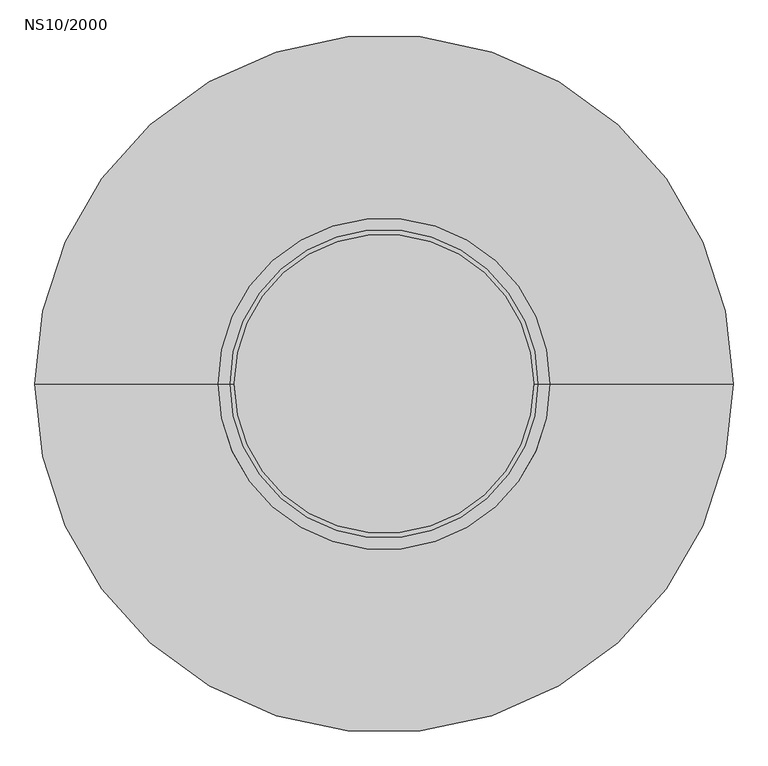
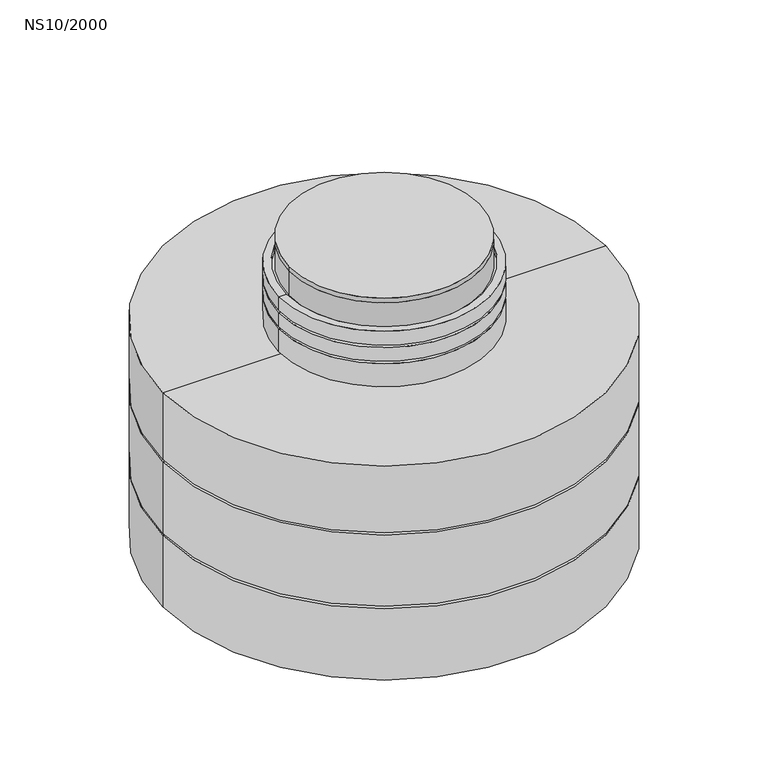
"""IFC4 building model written with IfcOpenShell, lengths in millimetres: proxy geometry, NS10/2000."""

import ifcopenshell
import ifcopenshell.guid

model = None  # the IFC model being written
_history = None  # IfcOwnerHistory: only IFC2X3 demands one
_inside = {}  # id of a spatial element -> (the spatial element, [elements in it])
_under = {}  # id of a project, library or spatial element -> (it, [spatial elements below it])
_declared = {}  # id of a project -> (the project, [libraries it declares])
_typed = {}  # id of a type object -> (the type object, [elements of that type])
_made_of = {}  # id of a material, layer set ... -> (it, [elements and type objects made of it])


def new_model(schema):
    """Start an empty IFC model of exactly this schema.

    Asked for "IFC4X3", IfcOpenShell would pick the latest addendum, in which some entities
    have other attributes; the version numbers below select the first issue.
    IFC2X3 requires an IfcOwnerHistory on every rooted entity: one is made here for all.
    """
    global model, _history
    if schema == "IFC4X3":
        model = ifcopenshell.file(schema_version=(4, 3, 0, 0))
    else:
        model = ifcopenshell.file(schema=schema)
    _inside.clear()
    _under.clear()
    _declared.clear()
    _typed.clear()
    _made_of.clear()
    _history = None
    if model.schema == "IFC2X3":
        org = make("IfcOrganization", Name="unknown")
        user = make(
            "IfcPersonAndOrganization",
            ThePerson=make("IfcPerson", FamilyName="unknown"),
            TheOrganization=org,
        )
        app = make(
            "IfcApplication",
            ApplicationDeveloper=org,
            Version="unknown",
            ApplicationFullName="unknown",
            ApplicationIdentifier="unknown",
        )
        _history = make(
            "IfcOwnerHistory",
            OwningUser=user,
            OwningApplication=app,
            ChangeAction="ADDED",
            CreationDate=0,
        )
    return model


def make(cls, **values):
    """One entity of the class cls with the attributes given. An attribute that is None is left unset."""
    return model.create_entity(
        cls, **{name: value for name, value in values.items() if value is not None}
    )


def rooted(cls, **values):
    """An entity with a GlobalId (a new one), such as an element, a storey or a relation."""
    return make(cls, GlobalId=ifcopenshell.guid.new(), OwnerHistory=_history, **values)


def si_unit(unit_type, name, prefix=None):
    """IfcSIUnit, for example si_unit("LENGTHUNIT", "METRE", prefix="MILLI")."""
    return make("IfcSIUnit", UnitType=unit_type, Prefix=prefix, Name=name)


def assignment(units):
    """IfcUnitAssignment: the units of a project."""
    return None if units is None else make("IfcUnitAssignment", Units=units)


def point(xyz):
    """IfcCartesianPoint."""
    return None if xyz is None else make("IfcCartesianPoint", Coordinates=xyz)


def direction(xyz):
    """IfcDirection."""
    return None if xyz is None else make("IfcDirection", DirectionRatios=xyz)


def frame(location, z_axis=None, x_axis=None):
    """IfcAxis2Placement3D, a coordinate frame: its origin and axes. An axis left out is left unset."""
    return make(
        "IfcAxis2Placement3D",
        Location=point(location),
        Axis=direction(z_axis),
        RefDirection=direction(x_axis),
    )


def frame_2d(location, x_axis=None):
    """IfcAxis2Placement2D, a coordinate frame in the plane: its origin and x axis."""
    return make(
        "IfcAxis2Placement2D", Location=point(location), RefDirection=direction(x_axis)
    )


def origin():
    """The frame at (0, 0, 0) with its axes left unset."""
    return frame((0.0, 0.0, 0.0))


def origin_2d():
    """The frame at (0, 0) in the plane with its x axis left unset."""
    return frame_2d((0.0, 0.0))


def place(relative_to, where):
    """IfcLocalPlacement: puts the frame where relative to a parent placement (None: the world)."""
    return make(
        "IfcLocalPlacement", PlacementRelTo=relative_to, RelativePlacement=where
    )


def context(
    kind, dimensions, precision=None, world=None, true_north=None, identifier=None
):
    """IfcGeometricRepresentationContext, for example the 3D "Model" context."""
    return make(
        "IfcGeometricRepresentationContext",
        ContextIdentifier=identifier,
        ContextType=kind,
        CoordinateSpaceDimension=dimensions,
        Precision=precision,
        WorldCoordinateSystem=world,
        TrueNorth=true_north,
    )


def project(units=None, contexts=None):
    """IfcProject with its units and contexts."""
    return rooted(
        "IfcProject",
        Name="project",
        RepresentationContexts=contexts,
        UnitsInContext=assignment(units),
    )


def spatial(cls, under=None, at=None, **own):
    """A site, building, storey or space (cls), placed at a placement, below another one or the project."""
    s = rooted(cls, ObjectPlacement=at, **own)
    if under is not None:
        _under.setdefault(under.id(), (under, []))[1].append(s)
    return s


def polyline(points):
    """IfcPolyline through the points."""
    return make("IfcPolyline", Points=[point(p) for p in points])


def circle_curve(where, radius):
    """IfcCircle in the frame where."""
    return make("IfcCircle", Position=where, Radius=radius)


def trimmed(basis, trim1, trim2, sense, master):
    """IfcTrimmedCurve: the piece of a basis curve between two trims."""
    return make(
        "IfcTrimmedCurve",
        BasisCurve=basis,
        Trim1=trim1,
        Trim2=trim2,
        SenseAgreement=sense,
        MasterRepresentation=master,
    )


def segment(curve, same_sense, transition):
    """IfcCompositeCurveSegment."""
    return make(
        "IfcCompositeCurveSegment",
        Transition=transition,
        SameSense=same_sense,
        ParentCurve=curve,
    )


def composite_curve(segments, self_intersect=None):
    """IfcCompositeCurve: segments joined end to end."""
    return make("IfcCompositeCurve", Segments=segments, SelfIntersect=self_intersect)


def outline(outer, holes=None, kind="AREA"):
    """IfcArbitraryClosedProfileDef: a profile drawn as a closed curve; with holes, ...WithVoids."""
    if holes is None:
        return make("IfcArbitraryClosedProfileDef", ProfileType=kind, OuterCurve=outer)
    return make(
        "IfcArbitraryProfileDefWithVoids",
        ProfileType=kind,
        OuterCurve=outer,
        InnerCurves=holes,
    )


def extrude(swept, where, along, depth):
    """IfcExtrudedAreaSolid: the profile swept, set in the frame where, extruded along a direction by depth."""
    return make(
        "IfcExtrudedAreaSolid",
        SweptArea=swept,
        Position=where,
        ExtrudedDirection=direction(along),
        Depth=depth,
    )


def shape(context_of_items, identifier, shape_type, items):
    """IfcShapeRepresentation: the items that make up one representation, for example the "Body"."""
    return make(
        "IfcShapeRepresentation",
        ContextOfItems=context_of_items,
        RepresentationIdentifier=identifier,
        RepresentationType=shape_type,
        Items=items,
    )


def source(mapping_origin, context_of_items, identifier, shape_type, items):
    """IfcRepresentationMap: a shape defined once, which mapped items show again and again."""
    return make(
        "IfcRepresentationMap",
        MappingOrigin=mapping_origin,
        MappedRepresentation=shape(context_of_items, identifier, shape_type, items),
    )


def transform(
    local_origin,
    x_axis=None,
    y_axis=None,
    z_axis=None,
    scale=None,
    scale2=None,
    scale3=None,
    uniform=True,
):
    """IfcCartesianTransformationOperator3D, or its non-uniform kind. x_axis, y_axis, z_axis: its Axis1, 2, 3."""
    if uniform:
        return make(
            "IfcCartesianTransformationOperator3D",
            Axis1=direction(x_axis),
            Axis2=direction(y_axis),
            LocalOrigin=point(local_origin),
            Scale=scale,
            Axis3=direction(z_axis),
        )
    return make(
        "IfcCartesianTransformationOperator3DnonUniform",
        Axis1=direction(x_axis),
        Axis2=direction(y_axis),
        LocalOrigin=point(local_origin),
        Scale=scale,
        Axis3=direction(z_axis),
        Scale2=scale2,
        Scale3=scale3,
    )


def mapped(mapping_source, mapping_target):
    """IfcMappedItem: shows the shape of a source again, moved by a transform."""
    return make(
        "IfcMappedItem", MappingSource=mapping_source, MappingTarget=mapping_target
    )


def made_of(thing, what):
    """Note that an element or type object is made of a material, layer set ...; save() writes the relation."""
    if what is not None:
        _made_of.setdefault(what.id(), (what, []))[1].append(thing)
    return thing


def element(
    cls,
    number,
    at=None,
    inside=None,
    cuts=None,
    type_object=None,
    material=None,
    context=None,
    identifier="Body",
    shape_type=None,
    held_by="IfcProductDefinitionShape",
    body=None,
    shapes=None,
    **own,
):
    """One element of the class cls, such as IfcWall. Its Tag is "e" and its number.

    at: its placement. inside: the storey or other place that contains it. cuts: it is an
    opening in that element (IfcRelVoidsElement). A single representation is given by context,
    identifier, shape_type and body (its items); several are given by shapes. held_by: the class
    of the entity that holds the representations. save() writes the other relations.
    """
    e = rooted(cls, Tag="e%d" % number, ObjectPlacement=at, **own)
    if body is not None:
        shapes = [shape(context, identifier, shape_type, body)]
    if shapes is not None:
        e.Representation = make(held_by, Representations=shapes)
    if inside is not None:
        _inside.setdefault(inside.id(), (inside, []))[1].append(e)
    if cuts is not None:
        rooted(
            "IfcRelVoidsElement", RelatingBuildingElement=cuts, RelatedOpeningElement=e
        )
    if type_object is not None:
        _typed.setdefault(type_object.id(), (type_object, []))[1].append(e)
    return made_of(e, material)


def aggregate(whole, parts):
    """IfcRelAggregates: a whole, such as a stair, and the parts it consists of."""
    return rooted("IfcRelAggregates", RelatingObject=whole, RelatedObjects=parts)


def save(model, path):
    """Write the relations noted so far, then the file.

    IfcRelAggregates (storeys below a building ...), IfcRelContainedInSpatialStructure (elements
    in a storey), IfcRelDefinesByType, IfcRelAssociatesMaterial and IfcRelDeclares: one each for
    every whole, place, type object, material and project.
    """
    for whole, parts in _under.values():
        aggregate(whole, parts)
    for where, things in _inside.values():
        rooted(
            "IfcRelContainedInSpatialStructure",
            RelatedElements=things,
            RelatingStructure=where,
        )
    for kind, things in _typed.values():
        rooted("IfcRelDefinesByType", RelatedObjects=things, RelatingType=kind)
    for what, things in _made_of.values():
        rooted("IfcRelAssociatesMaterial", RelatedObjects=things, RelatingMaterial=what)
    for by, libraries in _declared.values():
        rooted("IfcRelDeclares", RelatingContext=by, RelatedDefinitions=libraries)
    model.write(path)


def plane_surface(at):
    """IfcPlane: the flat surface through the origin of the frame at, square to its z axis."""
    return make("IfcPlane", Position=at)


def cylinder_surface(at, radius):
    """IfcCylindricalSurface: all points at the distance radius from the z axis of the frame at."""
    return make("IfcCylindricalSurface", Position=at, Radius=radius)


def revolved_surface(curve, axis_point, axis_direction):
    """IfcSurfaceOfRevolution: the curve turned about the line through axis_point along axis_direction."""
    return make(
        "IfcSurfaceOfRevolution",
        SweptCurve=make("IfcArbitraryOpenProfileDef", ProfileType="CURVE", Curve=curve),
        AxisPosition=make("IfcAxis1Placement", Location=point(axis_point), Axis=direction(axis_direction)),
    )


def advanced_brep(points, edges, surfaces, faces):
    """IfcAdvancedBrep: a solid bounded by faces that lie on surfaces and meet in shared edges.

    An edge is (start, end): straight between two places in points (the first is 0);
    or (start, end, curve); or (start, end, curve, False) where it runs against its curve.
    A face is (place in surfaces, loops), or (place, loops, False) where it looks against
    its surface's normal. A loop lists edges by number (the first is 1), with a minus sign
    where the edge is run from its end to its start. The first loop is the outer one.
    """
    corners = [point(p) for p in points]
    vertices = [make("IfcVertexPoint", VertexGeometry=c) for c in corners]
    made = []
    for start, end, *more in edges:
        made.append(
            make(
                "IfcEdgeCurve",
                EdgeStart=vertices[start],
                EdgeEnd=vertices[end],
                EdgeGeometry=more[0] if more else make("IfcPolyline", Points=[corners[start], corners[end]]),
                SameSense=more[1] if len(more) > 1 else True,
            )
        )
    hull = []
    for where, loops, *sense in faces:
        bounds = []
        for j, loop in enumerate(loops):
            ring = [make("IfcOrientedEdge", EdgeElement=made[abs(k) - 1], Orientation=k > 0) for k in loop]
            bounds.append(
                make(
                    "IfcFaceOuterBound" if j == 0 else "IfcFaceBound",
                    Bound=make("IfcEdgeLoop", EdgeList=ring),
                    Orientation=True,
                )
            )
        hull.append(make("IfcAdvancedFace", Bounds=bounds, FaceSurface=surfaces[where], SameSense=sense[0] if sense else True))
    return make("IfcAdvancedBrep", Outer=make("IfcClosedShell", CfsFaces=hull))


def ns10_2000_eb63e6cd(model_context):
    return source(origin(), model_context, "Body", "SolidModel", [
        advanced_brep(
        [(750.0, 0.0, -965.0), (-750.0, 0.0, -965.0), (-750.0, 0.0, -1215.0), (750.0, 0.0, -1215.0), (780.0, 0.0, -965.0), (-780.0, 0.0, -965.0), (780.0, 0.0, -985.0), (-780.0, 0.0, -985.0), (910.0, 0.0, -985.0), (-910.0, 0.0, -985.0), (910.0, 0.0, -1295.0), (-910.0, 0.0, -1295.0), (855.0, 0.0, -1295.0), (-855.0, 0.0, -1295.0), (855.0, 0.0, -1215.0), (-855.0, 0.0, -1215.0)],
        [
            (0, 1, circle_curve(frame((0.0, 0.0, -965.0), z_axis=(0.0, 0.0, 1.0), x_axis=(-1.0, 0.0, 0.0)), 750.0)),
            (1, 2),
            (2, 3, circle_curve(frame((0.0, 0.0, -1215.0), z_axis=(0.0, 0.0, -1.0), x_axis=(-1.0, 0.0, 0.0)), 750.0)),
            (3, 0),
            (1, 0, circle_curve(frame((0.0, 0.0, -965.0), z_axis=(0.0, 0.0, 1.0), x_axis=(-1.0, 0.0, 0.0)), 750.0)),
            (3, 2, circle_curve(frame((0.0, 0.0, -1215.0), z_axis=(0.0, 0.0, -1.0), x_axis=(-1.0, 0.0, 0.0)), 750.0)),
            (4, 5, circle_curve(frame((0.0, 0.0, -965.0), z_axis=(0.0, 0.0, 1.0), x_axis=(-1.0, 0.0, 0.0)), 780.0)),
            (5, 1),
            (0, 4),
            (5, 4, circle_curve(frame((0.0, 0.0, -965.0), z_axis=(0.0, 0.0, 1.0), x_axis=(-1.0, 0.0, 0.0)), 780.0)),
            (6, 7, circle_curve(frame((0.0, 0.0, -985.0), z_axis=(0.0, 0.0, 1.0), x_axis=(-1.0, 0.0, 0.0)), 780.0)),
            (7, 5),
            (4, 6),
            (7, 6, circle_curve(frame((0.0, 0.0, -985.0), z_axis=(0.0, 0.0, 1.0), x_axis=(-1.0, 0.0, 0.0)), 780.0)),
            (8, 9, circle_curve(frame((0.0, 0.0, -985.0), z_axis=(0.0, 0.0, 1.0), x_axis=(-1.0, 0.0, 0.0)), 910.0)),
            (9, 7),
            (6, 8),
            (9, 8, circle_curve(frame((0.0, 0.0, -985.0), z_axis=(0.0, 0.0, 1.0), x_axis=(-1.0, 0.0, 0.0)), 910.0)),
            (10, 11, circle_curve(frame((0.0, 0.0, -1295.0), z_axis=(0.0, 0.0, 1.0), x_axis=(-1.0, 0.0, 0.0)), 910.0)),
            (11, 9),
            (8, 10),
            (11, 10, circle_curve(frame((0.0, 0.0, -1295.0), z_axis=(0.0, 0.0, 1.0), x_axis=(-1.0, 0.0, 0.0)), 910.0)),
            (12, 13, circle_curve(frame((0.0, 0.0, -1295.0), z_axis=(0.0, 0.0, 1.0), x_axis=(-1.0, 0.0, 0.0)), 855.0)),
            (13, 11),
            (10, 12),
            (13, 12, circle_curve(frame((0.0, 0.0, -1295.0), z_axis=(0.0, 0.0, 1.0), x_axis=(-1.0, 0.0, 0.0)), 855.0)),
            (14, 15, circle_curve(frame((0.0, 0.0, -1215.0), z_axis=(0.0, 0.0, 1.0), x_axis=(-1.0, 0.0, 0.0)), 855.0)),
            (15, 13),
            (12, 14),
            (15, 14, circle_curve(frame((0.0, 0.0, -1215.0), z_axis=(0.0, 0.0, 1.0), x_axis=(-1.0, 0.0, 0.0)), 855.0)),
            (2, 15),
            (14, 3),
        ],
        [
            revolved_surface(polyline([(-750.0, 0.0, -1215.0), (-750.0, 0.0, -965.0)]), (0.0, 0.0, 2855.0), (0.0, 0.0, -1.0)),
            plane_surface(frame((0.0, 0.0, -965.0), z_axis=(0.0, 0.0, 1.0), x_axis=(-1.0, 0.0, 0.0))),
            cylinder_surface(frame((0.0, 0.0, 2855.0), z_axis=(0.0, 0.0, -1.0), x_axis=(-1.0, 0.0, 0.0)), 780.0),
            plane_surface(frame((0.0, 0.0, -985.0), z_axis=(0.0, 0.0, 1.0), x_axis=(-1.0, 0.0, 0.0))),
            cylinder_surface(frame((0.0, 0.0, 2855.0), z_axis=(0.0, 0.0, -1.0), x_axis=(-1.0, 0.0, 0.0)), 910.0),
            plane_surface(frame((0.0, 0.0, -1295.0), z_axis=(0.0, 0.0, -1.0), x_axis=(-1.0, 0.0, 0.0))),
            revolved_surface(polyline([(-855.0, 0.0, -1295.0), (-855.0, 0.0, -1215.0)]), (0.0, 0.0, 2855.0), (0.0, 0.0, -1.0)),
            plane_surface(frame((0.0, 0.0, -1215.0), z_axis=(0.0, 0.0, -1.0), x_axis=(-1.0, 0.0, 0.0))),
        ],
        [
            (0, [[1, 2, 3, 4]]),
            (0, [[5, -4, 6, -2]]),
            (1, [[7, 8, -1, 9]]),
            (1, [[10, -9, -5, -8]]),
            (2, [[11, 12, -7, 13]]),
            (2, [[14, -13, -10, -12]]),
            (3, [[15, 16, -11, 17]]),
            (3, [[18, -17, -14, -16]]),
            (4, [[19, 20, -15, 21]]),
            (4, [[22, -21, -18, -20]]),
            (5, [[23, 24, -19, 25]]),
            (5, [[26, -25, -22, -24]]),
            (6, [[27, 28, -23, 29]]),
            (6, [[30, -29, -26, -28]]),
            (7, [[-3, 31, -27, 32]]),
            (7, [[-6, -32, -30, -31]]),
        ],
    ),
        advanced_brep(
        [(750.0, 0.0, -645.0), (-750.0, 0.0, -645.0), (-750.0, 0.0, -895.0), (750.0, 0.0, -895.0), (780.0, 0.0, -645.0), (-780.0, 0.0, -645.0), (780.0, 0.0, -665.0), (-780.0, 0.0, -665.0), (910.0, 0.0, -665.0), (-910.0, 0.0, -665.0), (910.0, 0.0, -975.0), (-910.0, 0.0, -975.0), (855.0, 0.0, -975.0), (-855.0, 0.0, -975.0), (855.0, 0.0, -895.0), (-855.0, 0.0, -895.0)],
        [
            (0, 1, circle_curve(frame((0.0, 0.0, -645.0), z_axis=(0.0, 0.0, 1.0), x_axis=(-1.0, 0.0, 0.0)), 750.0)),
            (1, 2),
            (2, 3, circle_curve(frame((0.0, 0.0, -895.0), z_axis=(0.0, 0.0, -1.0), x_axis=(-1.0, 0.0, 0.0)), 750.0)),
            (3, 0),
            (1, 0, circle_curve(frame((0.0, 0.0, -645.0), z_axis=(0.0, 0.0, 1.0), x_axis=(-1.0, 0.0, 0.0)), 750.0)),
            (3, 2, circle_curve(frame((0.0, 0.0, -895.0), z_axis=(0.0, 0.0, -1.0), x_axis=(-1.0, 0.0, 0.0)), 750.0)),
            (4, 5, circle_curve(frame((0.0, 0.0, -645.0), z_axis=(0.0, 0.0, 1.0), x_axis=(-1.0, 0.0, 0.0)), 780.0)),
            (5, 1),
            (0, 4),
            (5, 4, circle_curve(frame((0.0, 0.0, -645.0), z_axis=(0.0, 0.0, 1.0), x_axis=(-1.0, 0.0, 0.0)), 780.0)),
            (6, 7, circle_curve(frame((0.0, 0.0, -665.0), z_axis=(0.0, 0.0, 1.0), x_axis=(-1.0, 0.0, 0.0)), 780.0)),
            (7, 5),
            (4, 6),
            (7, 6, circle_curve(frame((0.0, 0.0, -665.0), z_axis=(0.0, 0.0, 1.0), x_axis=(-1.0, 0.0, 0.0)), 780.0)),
            (8, 9, circle_curve(frame((0.0, 0.0, -665.0), z_axis=(0.0, 0.0, 1.0), x_axis=(-1.0, 0.0, 0.0)), 910.0)),
            (9, 7),
            (6, 8),
            (9, 8, circle_curve(frame((0.0, 0.0, -665.0), z_axis=(0.0, 0.0, 1.0), x_axis=(-1.0, 0.0, 0.0)), 910.0)),
            (10, 11, circle_curve(frame((0.0, 0.0, -975.0), z_axis=(0.0, 0.0, 1.0), x_axis=(-1.0, 0.0, 0.0)), 910.0)),
            (11, 9),
            (8, 10),
            (11, 10, circle_curve(frame((0.0, 0.0, -975.0), z_axis=(0.0, 0.0, 1.0), x_axis=(-1.0, 0.0, 0.0)), 910.0)),
            (12, 13, circle_curve(frame((0.0, 0.0, -975.0), z_axis=(0.0, 0.0, 1.0), x_axis=(-1.0, 0.0, 0.0)), 855.0)),
            (13, 11),
            (10, 12),
            (13, 12, circle_curve(frame((0.0, 0.0, -975.0), z_axis=(0.0, 0.0, 1.0), x_axis=(-1.0, 0.0, 0.0)), 855.0)),
            (14, 15, circle_curve(frame((0.0, 0.0, -895.0), z_axis=(0.0, 0.0, 1.0), x_axis=(-1.0, 0.0, 0.0)), 855.0)),
            (15, 13),
            (12, 14),
            (15, 14, circle_curve(frame((0.0, 0.0, -895.0), z_axis=(0.0, 0.0, 1.0), x_axis=(-1.0, 0.0, 0.0)), 855.0)),
            (2, 15),
            (14, 3),
        ],
        [
            revolved_surface(polyline([(-750.0, 0.0, -895.0), (-750.0, 0.0, -645.0)]), (0.0, 0.0, 3175.0), (0.0, 0.0, -1.0)),
            plane_surface(frame((0.0, 0.0, -645.0), z_axis=(0.0, 0.0, 1.0), x_axis=(-1.0, 0.0, 0.0))),
            cylinder_surface(frame((0.0, 0.0, 3175.0), z_axis=(0.0, 0.0, -1.0), x_axis=(-1.0, 0.0, 0.0)), 780.0),
            plane_surface(frame((0.0, 0.0, -665.0), z_axis=(0.0, 0.0, 1.0), x_axis=(-1.0, 0.0, 0.0))),
            cylinder_surface(frame((0.0, 0.0, 3175.0), z_axis=(0.0, 0.0, -1.0), x_axis=(-1.0, 0.0, 0.0)), 910.0),
            plane_surface(frame((0.0, 0.0, -975.0), z_axis=(0.0, 0.0, -1.0), x_axis=(-1.0, 0.0, 0.0))),
            revolved_surface(polyline([(-855.0, 0.0, -975.0), (-855.0, 0.0, -895.0)]), (0.0, 0.0, 3175.0), (0.0, 0.0, -1.0)),
            plane_surface(frame((0.0, 0.0, -895.0), z_axis=(0.0, 0.0, -1.0), x_axis=(-1.0, 0.0, 0.0))),
        ],
        [
            (0, [[1, 2, 3, 4]]),
            (0, [[5, -4, 6, -2]]),
            (1, [[7, 8, -1, 9]]),
            (1, [[10, -9, -5, -8]]),
            (2, [[11, 12, -7, 13]]),
            (2, [[14, -13, -10, -12]]),
            (3, [[15, 16, -11, 17]]),
            (3, [[18, -17, -14, -16]]),
            (4, [[19, 20, -15, 21]]),
            (4, [[22, -21, -18, -20]]),
            (5, [[23, 24, -19, 25]]),
            (5, [[26, -25, -22, -24]]),
            (6, [[27, 28, -23, 29]]),
            (6, [[30, -29, -26, -28]]),
            (7, [[-3, 31, -27, 32]]),
            (7, [[-6, -32, -30, -31]]),
        ],
    ),
        advanced_brep(
        [(402.5, 0.0, -175.0), (-402.5, 0.0, -175.0), (-432.5, 0.0, -175.0), (432.5, 0.0, -175.0), (402.5, 0.0, -195.0), (-402.5, 0.0, -195.0), (312.5, 0.0, -195.0), (-312.5, 0.0, -195.0), (312.5, 0.0, -135.0), (-312.5, 0.0, -135.0), (402.5, 0.0, -135.0), (-402.5, 0.0, -135.0), (402.5, 0.0, -115.0), (-402.5, 0.0, -115.0), (432.5, 0.0, -115.0), (-432.5, 0.0, -115.0)],
        [
            (0, 1, circle_curve(frame((0.0, 0.0, -175.0), z_axis=(0.0, 0.0, 1.0), x_axis=(-1.0, 0.0, 0.0)), 402.5)),
            (1, 2),
            (2, 3, circle_curve(frame((0.0, 0.0, -175.0), z_axis=(0.0, 0.0, -1.0), x_axis=(-1.0, 0.0, 0.0)), 432.5)),
            (3, 0),
            (1, 0, circle_curve(frame((0.0, 0.0, -175.0), z_axis=(0.0, 0.0, 1.0), x_axis=(-1.0, 0.0, 0.0)), 402.5)),
            (3, 2, circle_curve(frame((0.0, 0.0, -175.0), z_axis=(0.0, 0.0, -1.0), x_axis=(-1.0, 0.0, 0.0)), 432.5)),
            (4, 5, circle_curve(frame((0.0, 0.0, -195.0), z_axis=(0.0, 0.0, 1.0), x_axis=(-1.0, 0.0, 0.0)), 402.5)),
            (5, 1),
            (0, 4),
            (5, 4, circle_curve(frame((0.0, 0.0, -195.0), z_axis=(0.0, 0.0, 1.0), x_axis=(-1.0, 0.0, 0.0)), 402.5)),
            (6, 7, circle_curve(frame((0.0, 0.0, -195.0), z_axis=(0.0, 0.0, 1.0), x_axis=(-1.0, 0.0, 0.0)), 312.5)),
            (7, 5),
            (4, 6),
            (7, 6, circle_curve(frame((0.0, 0.0, -195.0), z_axis=(0.0, 0.0, 1.0), x_axis=(-1.0, 0.0, 0.0)), 312.5)),
            (8, 9, circle_curve(frame((0.0, 0.0, -135.0), z_axis=(0.0, 0.0, 1.0), x_axis=(-1.0, 0.0, 0.0)), 312.5)),
            (9, 7),
            (6, 8),
            (9, 8, circle_curve(frame((0.0, 0.0, -135.0), z_axis=(0.0, 0.0, 1.0), x_axis=(-1.0, 0.0, 0.0)), 312.5)),
            (10, 11, circle_curve(frame((0.0, 0.0, -135.0), z_axis=(0.0, 0.0, 1.0), x_axis=(-1.0, 0.0, 0.0)), 402.5)),
            (11, 9),
            (8, 10),
            (11, 10, circle_curve(frame((0.0, 0.0, -135.0), z_axis=(0.0, 0.0, 1.0), x_axis=(-1.0, 0.0, 0.0)), 402.5)),
            (12, 13, circle_curve(frame((0.0, 0.0, -115.0), z_axis=(0.0, 0.0, 1.0), x_axis=(-1.0, 0.0, 0.0)), 402.5)),
            (13, 11),
            (10, 12),
            (13, 12, circle_curve(frame((0.0, 0.0, -115.0), z_axis=(0.0, 0.0, 1.0), x_axis=(-1.0, 0.0, 0.0)), 402.5)),
            (14, 15, circle_curve(frame((0.0, 0.0, -115.0), z_axis=(0.0, 0.0, 1.0), x_axis=(-1.0, 0.0, 0.0)), 432.5)),
            (15, 13),
            (12, 14),
            (15, 14, circle_curve(frame((0.0, 0.0, -115.0), z_axis=(0.0, 0.0, 1.0), x_axis=(-1.0, 0.0, 0.0)), 432.5)),
            (2, 15),
            (14, 3),
        ],
        [
            plane_surface(frame((0.0, 0.0, -175.0), z_axis=(0.0, 0.0, -1.0), x_axis=(-1.0, 0.0, 0.0))),
            cylinder_surface(frame((0.0, 0.0, -115.0), z_axis=(0.0, 0.0, -1.0), x_axis=(-1.0, 0.0, 0.0)), 402.5),
            plane_surface(frame((0.0, 0.0, -195.0), z_axis=(0.0, 0.0, -1.0), x_axis=(-1.0, 0.0, 0.0))),
            revolved_surface(polyline([(-312.5, 0.0, -195.0), (-312.5, 0.0, -135.0)]), (0.0, 0.0, -115.0), (0.0, 0.0, -1.0)),
            plane_surface(frame((0.0, 0.0, -135.0), z_axis=(0.0, 0.0, 1.0), x_axis=(-1.0, 0.0, 0.0))),
            revolved_surface(polyline([(-402.5, 0.0, -135.0), (-402.5, 0.0, -115.0)]), (0.0, 0.0, -115.0), (0.0, 0.0, -1.0)),
            plane_surface(frame((0.0, 0.0, -115.0), z_axis=(0.0, 0.0, 1.0), x_axis=(-1.0, 0.0, 0.0))),
            cylinder_surface(frame((0.0, 0.0, -115.0), z_axis=(0.0, 0.0, -1.0), x_axis=(-1.0, 0.0, 0.0)), 432.5),
        ],
        [
            (0, [[1, 2, 3, 4]]),
            (0, [[5, -4, 6, -2]]),
            (1, [[7, 8, -1, 9]]),
            (1, [[10, -9, -5, -8]]),
            (2, [[11, 12, -7, 13]]),
            (2, [[14, -13, -10, -12]]),
            (3, [[15, 16, -11, 17]]),
            (3, [[18, -17, -14, -16]]),
            (4, [[19, 20, -15, 21]]),
            (4, [[22, -21, -18, -20]]),
            (5, [[23, 24, -19, 25]]),
            (5, [[26, -25, -22, -24]]),
            (6, [[27, 28, -23, 29]]),
            (6, [[30, -29, -26, -28]]),
            (7, [[-3, 31, -27, 32]]),
            (7, [[-6, -32, -30, -31]]),
        ],
    ),
        advanced_brep(
        [(402.5, 0.0, -245.0), (-402.5, 0.0, -245.0), (-432.5, 0.0, -245.0), (432.5, 0.0, -245.0), (402.5, 0.0, -265.0), (-402.5, 0.0, -265.0), (312.5, 0.0, -265.0), (-312.5, 0.0, -265.0), (312.5, 0.0, -205.0), (-312.5, 0.0, -205.0), (402.5, 0.0, -205.0), (-402.5, 0.0, -205.0), (402.5, 0.0, -185.0), (-402.5, 0.0, -185.0), (432.5, 0.0, -185.0), (-432.5, 0.0, -185.0)],
        [
            (0, 1, circle_curve(frame((0.0, 0.0, -245.0), z_axis=(0.0, 0.0, 1.0), x_axis=(-1.0, 0.0, 0.0)), 402.5)),
            (1, 2),
            (2, 3, circle_curve(frame((0.0, 0.0, -245.0), z_axis=(0.0, 0.0, -1.0), x_axis=(-1.0, 0.0, 0.0)), 432.5)),
            (3, 0),
            (1, 0, circle_curve(frame((0.0, 0.0, -245.0), z_axis=(0.0, 0.0, 1.0), x_axis=(-1.0, 0.0, 0.0)), 402.5)),
            (3, 2, circle_curve(frame((0.0, 0.0, -245.0), z_axis=(0.0, 0.0, -1.0), x_axis=(-1.0, 0.0, 0.0)), 432.5)),
            (4, 5, circle_curve(frame((0.0, 0.0, -265.0), z_axis=(0.0, 0.0, 1.0), x_axis=(-1.0, 0.0, 0.0)), 402.5)),
            (5, 1),
            (0, 4),
            (5, 4, circle_curve(frame((0.0, 0.0, -265.0), z_axis=(0.0, 0.0, 1.0), x_axis=(-1.0, 0.0, 0.0)), 402.5)),
            (6, 7, circle_curve(frame((0.0, 0.0, -265.0), z_axis=(0.0, 0.0, 1.0), x_axis=(-1.0, 0.0, 0.0)), 312.5)),
            (7, 5),
            (4, 6),
            (7, 6, circle_curve(frame((0.0, 0.0, -265.0), z_axis=(0.0, 0.0, 1.0), x_axis=(-1.0, 0.0, 0.0)), 312.5)),
            (8, 9, circle_curve(frame((0.0, 0.0, -205.0), z_axis=(0.0, 0.0, 1.0), x_axis=(-1.0, 0.0, 0.0)), 312.5)),
            (9, 7),
            (6, 8),
            (9, 8, circle_curve(frame((0.0, 0.0, -205.0), z_axis=(0.0, 0.0, 1.0), x_axis=(-1.0, 0.0, 0.0)), 312.5)),
            (10, 11, circle_curve(frame((0.0, 0.0, -205.0), z_axis=(0.0, 0.0, 1.0), x_axis=(-1.0, 0.0, 0.0)), 402.5)),
            (11, 9),
            (8, 10),
            (11, 10, circle_curve(frame((0.0, 0.0, -205.0), z_axis=(0.0, 0.0, 1.0), x_axis=(-1.0, 0.0, 0.0)), 402.5)),
            (12, 13, circle_curve(frame((0.0, 0.0, -185.0), z_axis=(0.0, 0.0, 1.0), x_axis=(-1.0, 0.0, 0.0)), 402.5)),
            (13, 11),
            (10, 12),
            (13, 12, circle_curve(frame((0.0, 0.0, -185.0), z_axis=(0.0, 0.0, 1.0), x_axis=(-1.0, 0.0, 0.0)), 402.5)),
            (14, 15, circle_curve(frame((0.0, 0.0, -185.0), z_axis=(0.0, 0.0, 1.0), x_axis=(-1.0, 0.0, 0.0)), 432.5)),
            (15, 13),
            (12, 14),
            (15, 14, circle_curve(frame((0.0, 0.0, -185.0), z_axis=(0.0, 0.0, 1.0), x_axis=(-1.0, 0.0, 0.0)), 432.5)),
            (2, 15),
            (14, 3),
        ],
        [
            plane_surface(frame((0.0, 0.0, -245.0), z_axis=(0.0, 0.0, -1.0), x_axis=(-1.0, 0.0, 0.0))),
            cylinder_surface(frame((0.0, 0.0, -185.0), z_axis=(0.0, 0.0, -1.0), x_axis=(-1.0, 0.0, 0.0)), 402.5),
            plane_surface(frame((0.0, 0.0, -265.0), z_axis=(0.0, 0.0, -1.0), x_axis=(-1.0, 0.0, 0.0))),
            revolved_surface(polyline([(-312.5, 0.0, -265.0), (-312.5, 0.0, -205.0)]), (0.0, 0.0, -185.0), (0.0, 0.0, -1.0)),
            plane_surface(frame((0.0, 0.0, -205.0), z_axis=(0.0, 0.0, 1.0), x_axis=(-1.0, 0.0, 0.0))),
            revolved_surface(polyline([(-402.5, 0.0, -205.0), (-402.5, 0.0, -185.0)]), (0.0, 0.0, -185.0), (0.0, 0.0, -1.0)),
            plane_surface(frame((0.0, 0.0, -185.0), z_axis=(0.0, 0.0, 1.0), x_axis=(-1.0, 0.0, 0.0))),
            cylinder_surface(frame((0.0, 0.0, -185.0), z_axis=(0.0, 0.0, -1.0), x_axis=(-1.0, 0.0, 0.0)), 432.5),
        ],
        [
            (0, [[1, 2, 3, 4]]),
            (0, [[5, -4, 6, -2]]),
            (1, [[7, 8, -1, 9]]),
            (1, [[10, -9, -5, -8]]),
            (2, [[11, 12, -7, 13]]),
            (2, [[14, -13, -10, -12]]),
            (3, [[15, 16, -11, 17]]),
            (3, [[18, -17, -14, -16]]),
            (4, [[19, 20, -15, 21]]),
            (4, [[22, -21, -18, -20]]),
            (5, [[23, 24, -19, 25]]),
            (5, [[26, -25, -22, -24]]),
            (6, [[27, 28, -23, 29]]),
            (6, [[30, -29, -26, -28]]),
            (7, [[-3, 31, -27, 32]]),
            (7, [[-6, -32, -30, -31]]),
        ],
    ),
        advanced_brep(
        [(402.5, 0.0, -355.0), (-402.5, 0.0, -355.0), (-432.5, 0.0, -355.0), (432.5, 0.0, -355.0), (402.5, 0.0, -375.0), (-402.5, 0.0, -375.0), (312.5, 0.0, -375.0), (-312.5, 0.0, -375.0), (312.5, 0.0, -275.0), (-312.5, 0.0, -275.0), (402.5, 0.0, -275.0), (-402.5, 0.0, -275.0), (402.5, 0.0, -255.0), (-402.5, 0.0, -255.0), (432.5, 0.0, -255.0), (-432.5, 0.0, -255.0)],
        [
            (0, 1, circle_curve(frame((0.0, 0.0, -355.0), z_axis=(0.0, 0.0, 1.0), x_axis=(-1.0, 0.0, 0.0)), 402.5)),
            (1, 2),
            (2, 3, circle_curve(frame((0.0, 0.0, -355.0), z_axis=(0.0, 0.0, -1.0), x_axis=(-1.0, 0.0, 0.0)), 432.5)),
            (3, 0),
            (1, 0, circle_curve(frame((0.0, 0.0, -355.0), z_axis=(0.0, 0.0, 1.0), x_axis=(-1.0, 0.0, 0.0)), 402.5)),
            (3, 2, circle_curve(frame((0.0, 0.0, -355.0), z_axis=(0.0, 0.0, -1.0), x_axis=(-1.0, 0.0, 0.0)), 432.5)),
            (4, 5, circle_curve(frame((0.0, 0.0, -375.0), z_axis=(0.0, 0.0, 1.0), x_axis=(-1.0, 0.0, 0.0)), 402.5)),
            (5, 1),
            (0, 4),
            (5, 4, circle_curve(frame((0.0, 0.0, -375.0), z_axis=(0.0, 0.0, 1.0), x_axis=(-1.0, 0.0, 0.0)), 402.5)),
            (6, 7, circle_curve(frame((0.0, 0.0, -375.0), z_axis=(0.0, 0.0, 1.0), x_axis=(-1.0, 0.0, 0.0)), 312.5)),
            (7, 5),
            (4, 6),
            (7, 6, circle_curve(frame((0.0, 0.0, -375.0), z_axis=(0.0, 0.0, 1.0), x_axis=(-1.0, 0.0, 0.0)), 312.5)),
            (8, 9, circle_curve(frame((0.0, 0.0, -275.0), z_axis=(0.0, 0.0, 1.0), x_axis=(-1.0, 0.0, 0.0)), 312.5)),
            (9, 7),
            (6, 8),
            (9, 8, circle_curve(frame((0.0, 0.0, -275.0), z_axis=(0.0, 0.0, 1.0), x_axis=(-1.0, 0.0, 0.0)), 312.5)),
            (10, 11, circle_curve(frame((0.0, 0.0, -275.0), z_axis=(0.0, 0.0, 1.0), x_axis=(-1.0, 0.0, 0.0)), 402.5)),
            (11, 9),
            (8, 10),
            (11, 10, circle_curve(frame((0.0, 0.0, -275.0), z_axis=(0.0, 0.0, 1.0), x_axis=(-1.0, 0.0, 0.0)), 402.5)),
            (12, 13, circle_curve(frame((0.0, 0.0, -255.0), z_axis=(0.0, 0.0, 1.0), x_axis=(-1.0, 0.0, 0.0)), 402.5)),
            (13, 11),
            (10, 12),
            (13, 12, circle_curve(frame((0.0, 0.0, -255.0), z_axis=(0.0, 0.0, 1.0), x_axis=(-1.0, 0.0, 0.0)), 402.5)),
            (14, 15, circle_curve(frame((0.0, 0.0, -255.0), z_axis=(0.0, 0.0, 1.0), x_axis=(-1.0, 0.0, 0.0)), 432.5)),
            (15, 13),
            (12, 14),
            (15, 14, circle_curve(frame((0.0, 0.0, -255.0), z_axis=(0.0, 0.0, 1.0), x_axis=(-1.0, 0.0, 0.0)), 432.5)),
            (2, 15),
            (14, 3),
        ],
        [
            plane_surface(frame((0.0, 0.0, -355.0), z_axis=(0.0, 0.0, -1.0), x_axis=(-1.0, 0.0, 0.0))),
            cylinder_surface(frame((0.0, 0.0, -255.0), z_axis=(0.0, 0.0, -1.0), x_axis=(-1.0, 0.0, 0.0)), 402.5),
            plane_surface(frame((0.0, 0.0, -375.0), z_axis=(0.0, 0.0, -1.0), x_axis=(-1.0, 0.0, 0.0))),
            revolved_surface(polyline([(-312.5, 0.0, -375.0), (-312.5, 0.0, -275.0)]), (0.0, 0.0, -255.0), (0.0, 0.0, -1.0)),
            plane_surface(frame((0.0, 0.0, -275.0), z_axis=(0.0, 0.0, 1.0), x_axis=(-1.0, 0.0, 0.0))),
            revolved_surface(polyline([(-402.5, 0.0, -275.0), (-402.5, 0.0, -255.0)]), (0.0, 0.0, -255.0), (0.0, 0.0, -1.0)),
            plane_surface(frame((0.0, 0.0, -255.0), z_axis=(0.0, 0.0, 1.0), x_axis=(-1.0, 0.0, 0.0))),
            cylinder_surface(frame((0.0, 0.0, -255.0), z_axis=(0.0, 0.0, -1.0), x_axis=(-1.0, 0.0, 0.0)), 432.5),
        ],
        [
            (0, [[1, 2, 3, 4]]),
            (0, [[5, -4, 6, -2]]),
            (1, [[7, 8, -1, 9]]),
            (1, [[10, -9, -5, -8]]),
            (2, [[11, 12, -7, 13]]),
            (2, [[14, -13, -10, -12]]),
            (3, [[15, 16, -11, 17]]),
            (3, [[18, -17, -14, -16]]),
            (4, [[19, 20, -15, 21]]),
            (4, [[22, -21, -18, -20]]),
            (5, [[23, 24, -19, 25]]),
            (5, [[26, -25, -22, -24]]),
            (6, [[27, 28, -23, 29]]),
            (6, [[30, -29, -26, -28]]),
            (7, [[-3, 31, -27, 32]]),
            (7, [[-6, -32, -30, -31]]),
        ],
    ),
        extrude(outline(composite_curve([segment(trimmed(circle_curve(origin_2d(), 390.0), [point((-390.0, 0.0))], [point((390.0, 0.0))], False, "CARTESIAN"), True, "CONTINUOUS"), segment(trimmed(circle_curve(origin_2d(), 390.0), [point((390.0, 0.0))], [point((-390.0, 0.0))], False, "CARTESIAN"), True, "CONTINUOUS")], self_intersect=False)), frame((0.0, 0.0, -20.0), z_axis=(0.0, 0.0, 1.0), x_axis=(1.0, 0.0, 0.0)), (0.0, 0.0, 1.0), 20.0),
        extrude(outline(composite_curve([segment(trimmed(circle_curve(origin_2d(), 390.0), [point((-390.0, 0.0))], [point((390.0, 0.0))], False, "CARTESIAN"), True, "CONTINUOUS"), segment(trimmed(circle_curve(origin_2d(), 390.0), [point((390.0, 0.0))], [point((-390.0, 0.0))], False, "CARTESIAN"), True, "CONTINUOUS")], self_intersect=False)), frame((0.0, 0.0, -125.0), z_axis=(0.0, 0.0, 1.0), x_axis=(1.0, 0.0, 0.0)), (0.0, 0.0, 1.0), 105.0),
        advanced_brep(
        [(910.0, 0.0, -365.0), (-910.0, 0.0, -365.0), (0.0, 0.0, -365.0), (910.0, 0.0, -655.0), (-910.0, 0.0, -655.0), (850.0, 0.0, -655.0), (-850.0, 0.0, -655.0), (850.0, 0.0, -575.0), (-850.0, 0.0, -575.0), (0.0, 0.0, -575.0)],
        [
            (0, 1, circle_curve(frame((0.0, 0.0, -365.0), z_axis=(0.0, 0.0, 1.0), x_axis=(-1.0, 0.0, 0.0)), 910.0)),
            (1, 2),
            (2, 0),
            (1, 0, circle_curve(frame((0.0, 0.0, -365.0), z_axis=(0.0, 0.0, 1.0), x_axis=(-1.0, 0.0, 0.0)), 910.0)),
            (3, 4, circle_curve(frame((0.0, 0.0, -655.0), z_axis=(0.0, 0.0, 1.0), x_axis=(-1.0, 0.0, 0.0)), 910.0)),
            (4, 1),
            (0, 3),
            (4, 3, circle_curve(frame((0.0, 0.0, -655.0), z_axis=(0.0, 0.0, 1.0), x_axis=(-1.0, 0.0, 0.0)), 910.0)),
            (5, 6, circle_curve(frame((0.0, 0.0, -655.0), z_axis=(0.0, 0.0, 1.0), x_axis=(-1.0, 0.0, 0.0)), 850.0)),
            (6, 4),
            (3, 5),
            (6, 5, circle_curve(frame((0.0, 0.0, -655.0), z_axis=(0.0, 0.0, 1.0), x_axis=(-1.0, 0.0, 0.0)), 850.0)),
            (7, 8, circle_curve(frame((0.0, 0.0, -575.0), z_axis=(0.0, 0.0, 1.0), x_axis=(-1.0, 0.0, 0.0)), 850.0)),
            (8, 6),
            (5, 7),
            (8, 7, circle_curve(frame((0.0, 0.0, -575.0), z_axis=(0.0, 0.0, 1.0), x_axis=(-1.0, 0.0, 0.0)), 850.0)),
            (9, 8),
            (7, 9),
        ],
        [
            plane_surface(frame((0.0, 0.0, -365.0), z_axis=(0.0, 0.0, 1.0), x_axis=(-1.0, 0.0, 0.0))),
            cylinder_surface(frame((0.0, 0.0, -350.0), z_axis=(0.0, 0.0, -1.0), x_axis=(-1.0, 0.0, 0.0)), 910.0),
            plane_surface(frame((0.0, 0.0, -655.0), z_axis=(0.0, 0.0, -1.0), x_axis=(-1.0, 0.0, 0.0))),
            revolved_surface(polyline([(-850.0, 0.0, -655.0), (-850.0, 0.0, -575.0)]), (0.0, 0.0, -350.0), (0.0, 0.0, -1.0)),
            plane_surface(frame((0.0, 0.0, -575.0), z_axis=(0.0, 0.0, -1.0), x_axis=(-1.0, 0.0, 0.0))),
        ],
        [
            (0, [[1, 2, 3]]),
            (0, [[4, -3, -2]]),
            (1, [[5, 6, -1, 7]]),
            (1, [[8, -7, -4, -6]]),
            (2, [[9, 10, -5, 11]]),
            (2, [[12, -11, -8, -10]]),
            (3, [[13, 14, -9, 15]]),
            (3, [[16, -15, -12, -14]]),
            (4, [[17, -13, 18]]),
            (4, [[-18, -16, -17]]),
        ],
    ),
    ])


if __name__ == "__main__":
    model = new_model("IFC4")
    model_context = context("Model", 3, world=origin())
    ifc_project = project(units=[si_unit("LENGTHUNIT", "METRE", prefix="MILLI")], contexts=[model_context])
    site = spatial("IfcSite", under=ifc_project)
    building = spatial("IfcBuilding", under=site)
    placement = place(None, origin())
    ns10_2000_shape = ns10_2000_eb63e6cd(model_context)
    element("IfcBuildingElementProxy", 1, Name="NS10/2000", ObjectType="NS10/2000", at=placement, inside=building, context=model_context, shape_type="MappedRepresentation", body=[
        mapped(ns10_2000_shape, transform((0.0, 0.0, 0.0), x_axis=(1.0, 0.0, 0.0), y_axis=(0.0, 1.0, 0.0), z_axis=(0.0, 0.0, 1.0))),
    ])
    save(model, "model.ifc")
